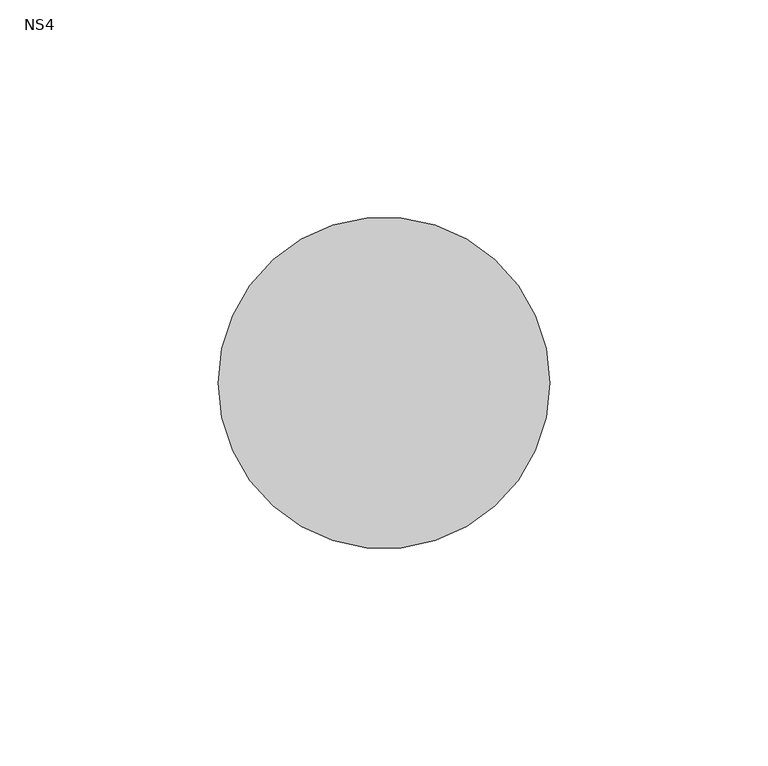
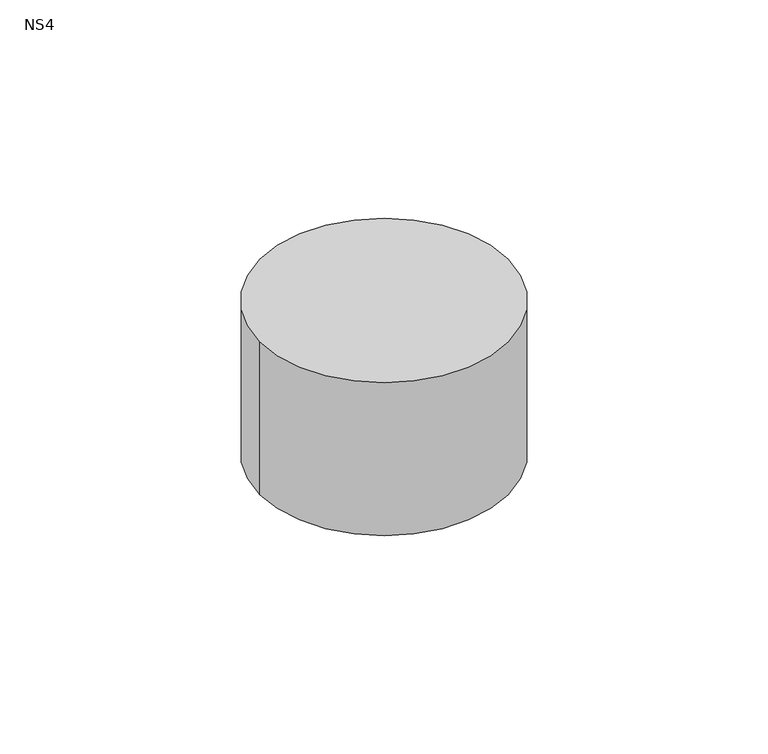
"""IFC4 building model written with IfcOpenShell, lengths in millimetres: unitary equipment geometry, NS4."""

from ifc_helpers import new_model, si_unit, point, frame, frame_2d, origin, place, context, project, spatial, circle_curve, trimmed, segment, composite_curve, outline, extrude, source, transform, mapped, element, save


def ns4_c199ca5a(model_context):
    return source(origin(), model_context, "Body", "SweptSolid", [
        extrude(outline(composite_curve([segment(trimmed(circle_curve(frame_2d((200.0, 345.0)), 38.0), [point((162.0, 345.0))], [point((238.0, 345.0))], False, "CARTESIAN"), True, "CONTINUOUS"), segment(trimmed(circle_curve(frame_2d((200.0, 345.0)), 38.0), [point((238.0, 345.0))], [point((162.0, 345.0))], False, "CARTESIAN"), True, "CONTINUOUS")], self_intersect=False)), frame((0.0, 0.0, 1427.5), z_axis=(0.0, 0.0, 1.0), x_axis=(1.0, 0.0, 0.0)), (0.0, 0.0, 1.0), 49.5),
    ])


if __name__ == "__main__":
    model = new_model("IFC4")
    model_context = context("Model", 3, world=origin())
    ifc_project = project(units=[si_unit("LENGTHUNIT", "METRE", prefix="MILLI")], contexts=[model_context])
    site = spatial("IfcSite", under=ifc_project)
    building = spatial("IfcBuilding", under=site)
    placement = place(None, origin())
    ns4_shape = ns4_c199ca5a(model_context)
    element("IfcUnitaryEquipment", 1, ObjectType="NS4", at=placement, inside=building, context=model_context, shape_type="MappedRepresentation", body=[
        mapped(ns4_shape, transform((0.0, 0.0, 0.0), x_axis=(1.0, 0.0, 0.0), y_axis=(0.0, 1.0, 0.0), z_axis=(0.0, 0.0, 1.0))),
    ])
    save(model, "model.ifc")
